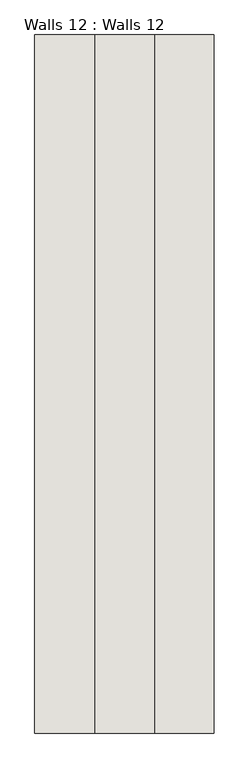
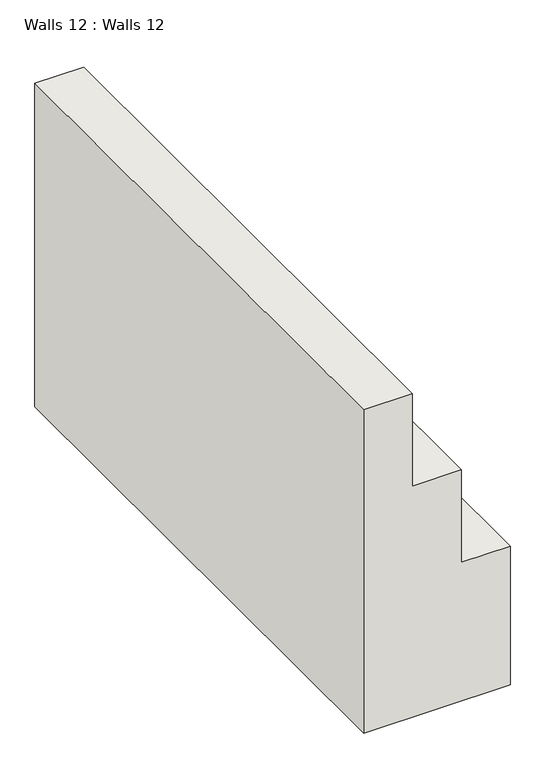
"""IFC4 building model written with IfcOpenShell, lengths in millimetres: wall geometry, Walls 12 : Walls 12."""

from ifc_helpers import new_model, si_unit, frame, origin, place, context, project, spatial, polyline, outline, extrude, source, transform, mapped, element, save


def walls_12_walls_12_185452b8(model_context):
    return source(origin(), model_context, "Body", "SweptSolid", [
        extrude(outline(polyline([(-1057.569405, 15201.7409002), (-600.369405, 15201.7409002), (-600.369405, 15049.3409002), (-295.569405, 15049.3409002), (-295.569405, 14896.9409002), (9.230595, 14896.9409002), (9.230595, 14744.5409002), (-1057.569405, 14744.5409002), (-1057.569405, 15201.7409002)])), frame((0.0, -12245.2114294, 0.0), z_axis=(0.0, 1.0, 0.0), x_axis=(0.0, 0.0, 1.0)), (0.0, 0.0, 1.0), 1778.0),
    ])


if __name__ == "__main__":
    model = new_model("IFC4")
    model_context = context("Model", 3, world=origin())
    ifc_project = project(units=[si_unit("LENGTHUNIT", "METRE", prefix="MILLI")], contexts=[model_context])
    site = spatial("IfcSite", under=ifc_project)
    building = spatial("IfcBuilding", under=site)
    placement = place(None, origin())
    walls_12_walls_12_shape = walls_12_walls_12_185452b8(model_context)
    element("IfcWall", 1, ObjectType="Walls 12 : Walls 12", at=placement, inside=building, context=model_context, shape_type="MappedRepresentation", body=[
        mapped(walls_12_walls_12_shape, transform((0.0, 0.0, 0.0), x_axis=(1.0, 0.0, 0.0), y_axis=(0.0, 1.0, 0.0), z_axis=(0.0, 0.0, 1.0))),
    ])
    save(model, "model.ifc")
